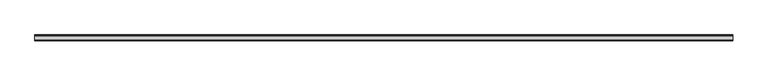
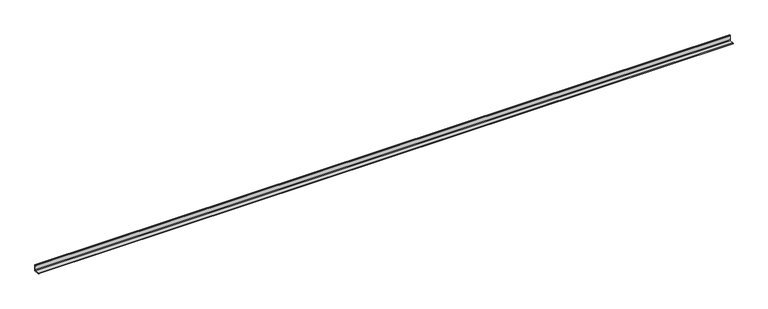
"""IFC4 building model written with IfcOpenShell, lengths in millimetres: beam geometry."""

from ifc_helpers import new_model, si_unit, point, frame, frame_2d, origin, place, context, project, spatial, polyline, circle_curve, trimmed, segment, composite_curve, outline, extrude, source, transform, mapped, element, save


def beam_02c773fb(model_context):
    return source(origin(), model_context, "Body", "SweptSolid", [
        extrude(outline(composite_curve([segment(polyline([(21.3, -21.3), (-53.7, -21.3), (-53.7, -18.3)]), True, "CONTINUOUS"), segment(trimmed(circle_curve(frame_2d((-48.7, -18.3)), 5.0), [point((-53.7, -18.3))], [point((-48.7, -13.3))], False, "CARTESIAN"), True, "CONTINUOUS"), segment(polyline([(-48.7, -13.3), (5.3, -13.3)]), True, "CONTINUOUS"), segment(trimmed(circle_curve(frame_2d((5.3, -5.3)), 8.0), [point((5.3, -13.3))], [point((13.3, -5.3))], True, "CARTESIAN"), True, "CONTINUOUS"), segment(polyline([(13.3, -5.3), (13.3, 48.7)]), True, "CONTINUOUS"), segment(trimmed(circle_curve(frame_2d((18.3, 48.7)), 5.0), [point((13.3, 48.7))], [point((18.3, 53.7))], False, "CARTESIAN"), True, "CONTINUOUS"), segment(polyline([(18.3, 53.7), (21.3, 53.7), (21.3, -21.3)]), True, "CONTINUOUS")], self_intersect=False)), frame((-4471.0, 0.0, 0.0), z_axis=(1.0, 0.0, 0.0), x_axis=(0.0, 1.0, 0.0)), (0.0, 0.0, 1.0), 8912.0),
    ])


if __name__ == "__main__":
    model = new_model("IFC4")
    model_context = context("Model", 3, world=origin())
    ifc_project = project(units=[si_unit("LENGTHUNIT", "METRE", prefix="MILLI")], contexts=[model_context])
    site = spatial("IfcSite", under=ifc_project)
    building = spatial("IfcBuilding", under=site)
    placement = place(None, origin())
    beam_shape = beam_02c773fb(model_context)
    element("IfcBeam", 1, at=placement, inside=building, context=model_context, shape_type="MappedRepresentation", body=[
        mapped(beam_shape, transform((0.0, 0.0, 0.0), x_axis=(1.0, 0.0, 0.0), y_axis=(0.0, 1.0, 0.0), z_axis=(0.0, 0.0, 1.0))),
    ])
    save(model, "model.ifc")
